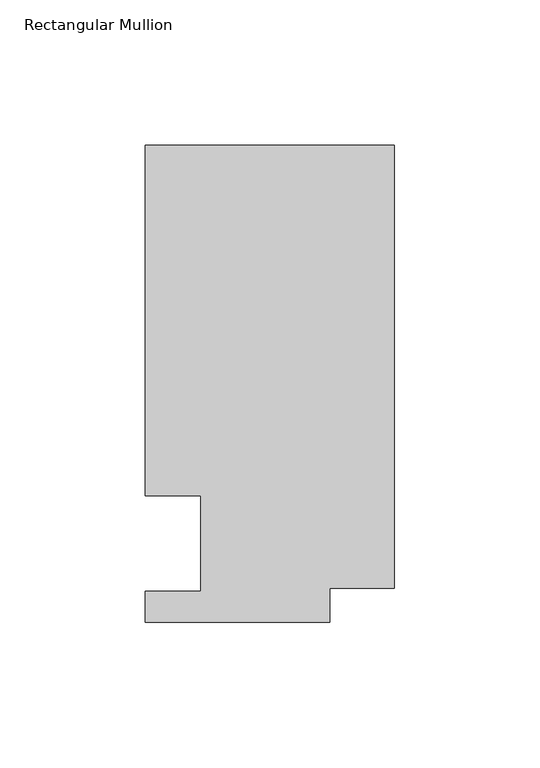
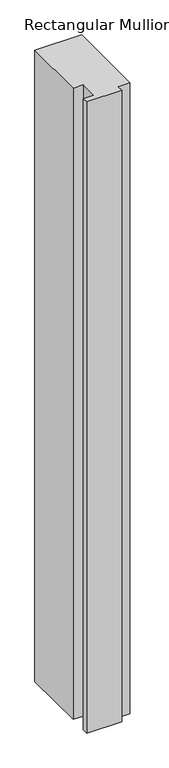
"""IFC4 building model written with IfcOpenShell, lengths in millimetres: member geometry, Rectangular Mullion."""

from ifc_helpers import new_model, si_unit, frame, origin, place, context, project, spatial, polyline, outline, extrude, source, transform, mapped, element, save


def rectangular_mullion_a3e73556(model_context):
    return source(origin(), model_context, "Body", "SweptSolid", [
        extrude(outline(polyline([(-85.7123, 152.4), (0.0, 152.4), (0.0, 0.0), (-22.2123, 0.0), (-22.2123, -11.684), (-85.7123, -11.684), (-85.7123, -1.016), (-66.6623, -1.016), (-66.6623, 31.75), (-85.7123, 31.75), (-85.7123, 152.4)])), frame((0.0, 0.0, -1219.2), z_axis=(0.0, 0.0, 1.0), x_axis=(1.0, 0.0, 0.0)), (0.0, 0.0, 1.0), 1219.2),
    ])


if __name__ == "__main__":
    model = new_model("IFC4")
    model_context = context("Model", 3, world=origin())
    ifc_project = project(units=[si_unit("LENGTHUNIT", "METRE", prefix="MILLI")], contexts=[model_context])
    site = spatial("IfcSite", under=ifc_project)
    building = spatial("IfcBuilding", under=site)
    placement = place(None, origin())
    rectangular_mullion_shape = rectangular_mullion_a3e73556(model_context)
    element("IfcMember", 1, ObjectType="Rectangular Mullion", at=placement, inside=building, context=model_context, shape_type="MappedRepresentation", body=[
        mapped(rectangular_mullion_shape, transform((0.0, 0.0, 0.0), x_axis=(1.0, 0.0, 0.0), y_axis=(0.0, 1.0, 0.0), z_axis=(0.0, 0.0, 1.0))),
    ])
    save(model, "model.ifc")
